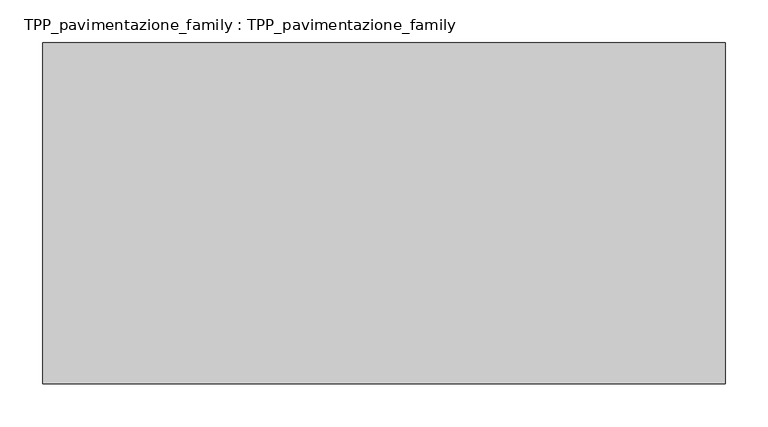
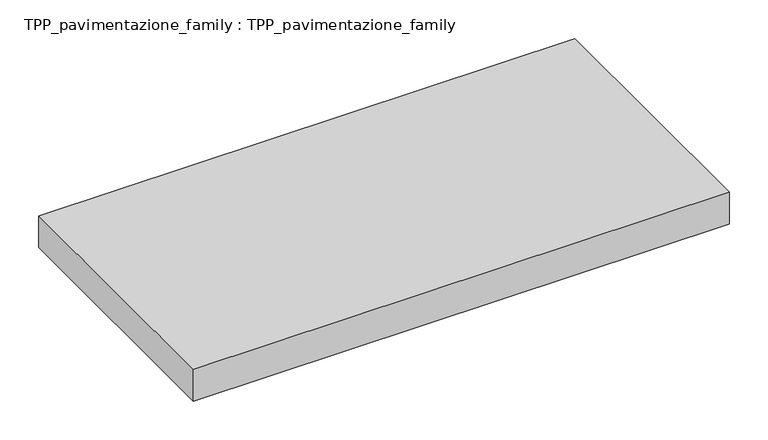
"""IFC4 building model written with IfcOpenShell, lengths in millimetres: proxy geometry, TPP_pavimentazione_family : TPP_pavimentazione_family."""

from ifc_helpers import new_model, si_unit, origin, origin_with_axes, place, context, project, spatial, polyline, outline, extrude, source, transform, mapped, element, save


def tpp_pavimentazione_family_tpp_pavimentazione_family_30e77ae2(model_context):
    return source(origin(), model_context, "Body", "SweptSolid", [
        extrude(outline(polyline([(511.8146187, 354.2201026), (511.8146187, -45.7798974), (-288.1853813, -45.7798974), (-288.1853813, 354.2201026), (511.8146187, 354.2201026)])), origin_with_axes(), (0.0, 0.0, 1.0), 50.0),
    ])


if __name__ == "__main__":
    model = new_model("IFC4")
    model_context = context("Model", 3, world=origin())
    ifc_project = project(units=[si_unit("LENGTHUNIT", "METRE", prefix="MILLI")], contexts=[model_context])
    site = spatial("IfcSite", under=ifc_project)
    building = spatial("IfcBuilding", under=site)
    placement = place(None, origin())
    tpp_pavimentazione_family_tpp_pavimentazione_family_shape = tpp_pavimentazione_family_tpp_pavimentazione_family_30e77ae2(model_context)
    element("IfcBuildingElementProxy", 1, Name="TPP_pavimentazione_family : TPP_pavimentazione_family", ObjectType="TPP_pavimentazione_family : TPP_pavimentazione_family", at=placement, inside=building, context=model_context, shape_type="MappedRepresentation", body=[
        mapped(tpp_pavimentazione_family_tpp_pavimentazione_family_shape, transform((0.0, 0.0, 0.0), x_axis=(1.0, 0.0, 0.0), y_axis=(0.0, 1.0, 0.0), z_axis=(0.0, 0.0, 1.0))),
    ])
    save(model, "model.ifc")
